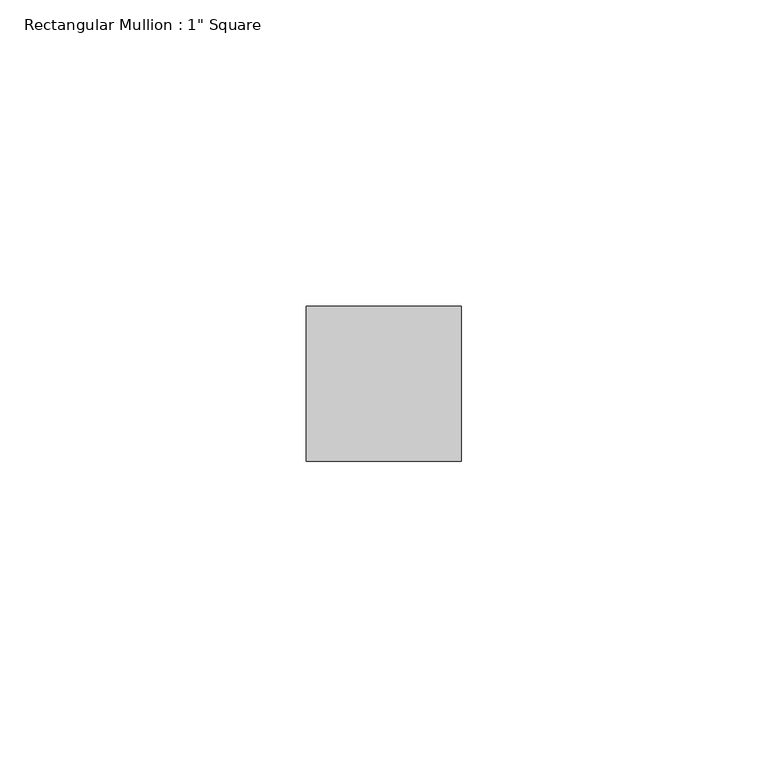
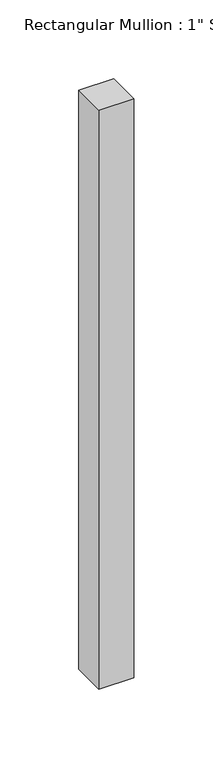
"""IFC4 building model written with IfcOpenShell, lengths in millimetres: member geometry."""

from ifc_helpers import new_model, si_unit, frame, origin, place, context, project, spatial, polyline, outline, extrude, source, transform, mapped, element, save


def member_8c0ace04(model_context):
    return source(origin(), model_context, "Body", "SweptSolid", [
        extrude(outline(polyline([(12.7, 12.7), (12.7, -12.7), (-12.7, -12.7), (-12.7, 12.7), (12.7, 12.7)])), frame((0.0, 0.0, -447.675), z_axis=(0.0, 0.0, 1.0), x_axis=(1.0, 0.0, 0.0)), (0.0, 0.0, 1.0), 447.675),
    ])


if __name__ == "__main__":
    model = new_model("IFC4")
    model_context = context("Model", 3, world=origin())
    ifc_project = project(units=[si_unit("LENGTHUNIT", "METRE", prefix="MILLI")], contexts=[model_context])
    site = spatial("IfcSite", under=ifc_project)
    building = spatial("IfcBuilding", under=site)
    placement = place(None, origin())
    member_shape = member_8c0ace04(model_context)
    element("IfcMember", 1, ObjectType="Rectangular Mullion : 1\" Square", at=placement, inside=building, context=model_context, shape_type="MappedRepresentation", body=[
        mapped(member_shape, transform((0.0, 0.0, 0.0), x_axis=(1.0, 0.0, 0.0), y_axis=(0.0, 1.0, 0.0), z_axis=(0.0, 0.0, 1.0))),
    ])
    save(model, "model.ifc")
